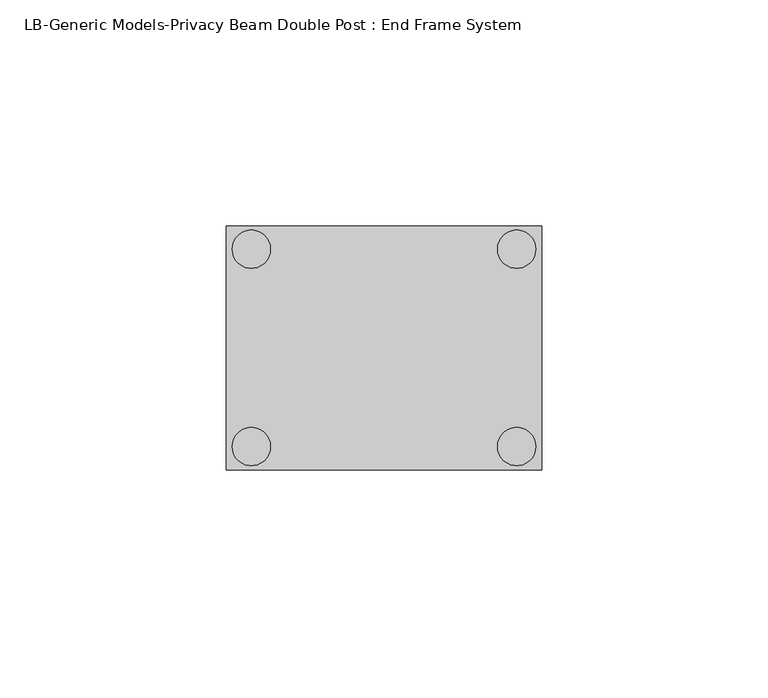
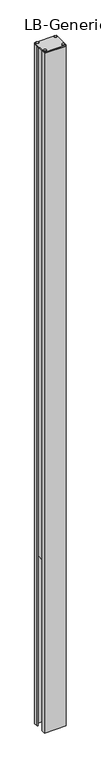
"""IFC4 building model written with IfcOpenShell, lengths in millimetres: proxy geometry, LB-Generic Models-Privacy Beam Double Post : End Frame System."""

from ifc_helpers import new_model, si_unit, point, frame, frame_2d, origin, origin_with_axes, place, context, project, spatial, polyline, circle_curve, trimmed, segment, composite_curve, outline, extrude, source, transform, mapped, element, save


def lb_generic_models_privacy_beam_double_post_end_frame_system_db646cba(model_context):
    return source(origin(), model_context, "Body", "SweptSolid", [
        extrude(outline(polyline([(-31.4009531, 17.546), (-1.9364531, 17.546), (-1.9364531, -17.546), (-31.4009531, -17.546), (-31.4009531, 17.546)])), origin_with_axes(), (0.0, 0.0, 1.0), 1739.9),
        extrude(outline(polyline([(31.4009531, 17.546), (31.4009531, -17.546), (1.9364531, -17.546), (1.9364531, 17.546), (31.4009531, 17.546)])), origin_with_axes(), (0.0, 0.0, 1.0), 1739.9),
        extrude(outline(polyline([(-34.9252031, 26.9875), (34.9252031, 26.9875), (34.9252031, 13.4874), (31.7497031, 13.4874), (31.7497031, 23.8125), (1.5872031, 23.8125), (1.5872031, -23.8125), (31.7497031, -23.8125), (31.7497031, -13.4874), (34.9252031, -13.4874), (34.9252031, -26.9875), (-34.9252031, -26.9875), (-34.9252031, -13.4874), (-31.7497031, -13.4874), (-31.7497031, -23.8125), (-1.5872031, -23.8125), (-1.5872031, 23.8125), (-31.7497031, 23.8125), (-31.7497031, 13.4874), (-34.9252031, 13.4874), (-34.9252031, 26.9875)])), frame((0.0, 0.0, -579.9666667), z_axis=(0.0, 0.0, 1.0), x_axis=(1.0, 0.0, 0.0)), (0.0, 0.0, 1.0), 2319.8666667),
        extrude(outline(polyline([(-34.9252031, 26.9875), (34.9252031, 26.9875), (34.9252031, -26.9875), (-34.9252031, -26.9875), (-34.9252031, 26.9875)])), frame((0.0, 0.0, 1739.9), z_axis=(0.0, 0.0, 1.0), x_axis=(1.0, 0.0, 0.0)), (0.0, 0.0, 1.0), 4.0792363),
        extrude(outline(composite_curve([segment(trimmed(circle_curve(frame_2d((-29.3369784, 21.844)), 4.2243107), [point((-33.5612891, 21.844))], [point((-25.1126677, 21.844))], False, "CARTESIAN"), True, "CONTINUOUS"), segment(trimmed(circle_curve(frame_2d((-29.3369784, 21.844)), 4.2243107), [point((-25.1126677, 21.844))], [point((-33.5612891, 21.844))], False, "CARTESIAN"), True, "CONTINUOUS")], self_intersect=False)), frame((0.0, 0.0, 1743.9792363), z_axis=(0.0, 0.0, 1.0), x_axis=(1.0, 0.0, 0.0)), (0.0, 0.0, 1.0), 1.6499867),
        extrude(outline(composite_curve([segment(trimmed(circle_curve(frame_2d((-29.3369784, -21.844)), 4.2243107), [point((-33.5612891, -21.844))], [point((-25.1126677, -21.844))], False, "CARTESIAN"), True, "CONTINUOUS"), segment(trimmed(circle_curve(frame_2d((-29.3369784, -21.844)), 4.2243107), [point((-25.1126677, -21.844))], [point((-33.5612891, -21.844))], False, "CARTESIAN"), True, "CONTINUOUS")], self_intersect=False)), frame((0.0, 0.0, 1743.9792363), z_axis=(0.0, 0.0, 1.0), x_axis=(1.0, 0.0, 0.0)), (0.0, 0.0, 1.0), 1.6499867),
        extrude(outline(composite_curve([segment(trimmed(circle_curve(frame_2d((29.3369784, 21.844)), 4.2243107), [point((25.1126677, 21.844))], [point((33.5612891, 21.844))], False, "CARTESIAN"), True, "CONTINUOUS"), segment(trimmed(circle_curve(frame_2d((29.3369784, 21.844)), 4.2243107), [point((33.5612891, 21.844))], [point((25.1126677, 21.844))], False, "CARTESIAN"), True, "CONTINUOUS")], self_intersect=False)), frame((0.0, 0.0, 1743.9792363), z_axis=(0.0, 0.0, 1.0), x_axis=(1.0, 0.0, 0.0)), (0.0, 0.0, 1.0), 1.6499867),
        extrude(outline(composite_curve([segment(trimmed(circle_curve(frame_2d((29.3369784, -21.844)), 4.2243107), [point((25.1126677, -21.844))], [point((33.5612891, -21.844))], False, "CARTESIAN"), True, "CONTINUOUS"), segment(trimmed(circle_curve(frame_2d((29.3369784, -21.844)), 4.2243107), [point((33.5612891, -21.844))], [point((25.1126677, -21.844))], False, "CARTESIAN"), True, "CONTINUOUS")], self_intersect=False)), frame((0.0, 0.0, 1743.9792363), z_axis=(0.0, 0.0, 1.0), x_axis=(1.0, 0.0, 0.0)), (0.0, 0.0, 1.0), 1.6499867),
    ])


if __name__ == "__main__":
    model = new_model("IFC4")
    model_context = context("Model", 3, world=origin())
    ifc_project = project(units=[si_unit("LENGTHUNIT", "METRE", prefix="MILLI")], contexts=[model_context])
    site = spatial("IfcSite", under=ifc_project)
    building = spatial("IfcBuilding", under=site)
    placement = place(None, origin())
    lb_generic_models_privacy_beam_double_post_end_frame_system_shape = lb_generic_models_privacy_beam_double_post_end_frame_system_db646cba(model_context)
    element("IfcBuildingElementProxy", 1, Name="LB-Generic Models-Privacy Beam Double Post : End Frame System", ObjectType="LB-Generic Models-Privacy Beam Double Post : End Frame System", at=placement, inside=building, context=model_context, shape_type="MappedRepresentation", body=[
        mapped(lb_generic_models_privacy_beam_double_post_end_frame_system_shape, transform((0.0, 0.0, 0.0), x_axis=(1.0, 0.0, 0.0), y_axis=(0.0, 1.0, 0.0), z_axis=(0.0, 0.0, 1.0))),
    ])
    save(model, "model.ifc")
